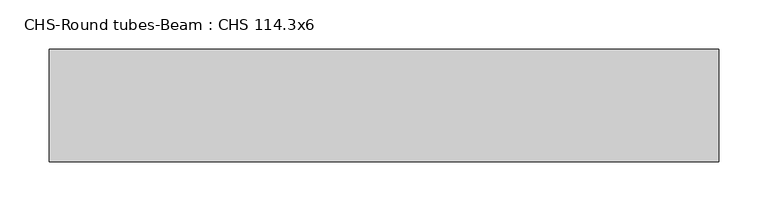
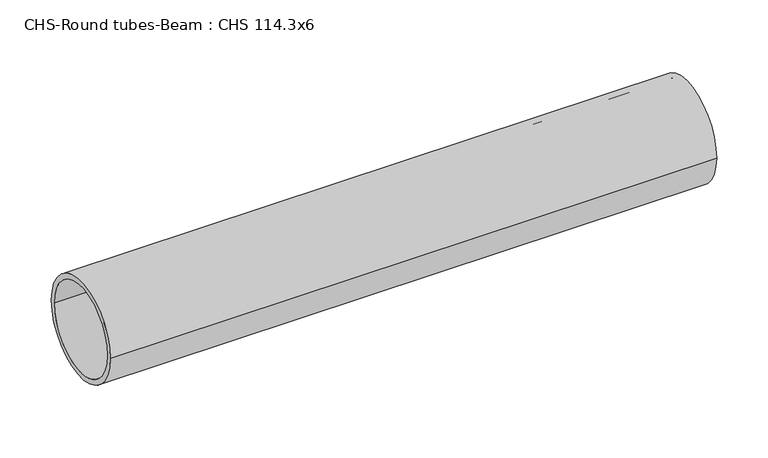
"""IFC4 building model written with IfcOpenShell, lengths in millimetres: beam geometry, CHS-Round tubes-Beam : CHS 114.3x6."""

from ifc_helpers import new_model, si_unit, point, frame, origin, origin_2d, place, context, project, spatial, circle_curve, trimmed, segment, composite_curve, outline, extrude, source, transform, mapped, element, save


def chs_round_tubes_beam_chs_114_3x6_6815b667(model_context):
    return source(origin(), model_context, "Body", "SweptSolid", [
        extrude(outline(composite_curve([segment(trimmed(circle_curve(origin_2d(), 57.15), [point((57.15, 0.0))], [point((-57.15, 0.0))], False, "CARTESIAN"), True, "CONTINUOUS"), segment(trimmed(circle_curve(origin_2d(), 57.15), [point((-57.15, 0.0))], [point((57.15, 0.0))], False, "CARTESIAN"), True, "CONTINUOUS")], self_intersect=False), holes=[composite_curve([segment(trimmed(circle_curve(origin_2d(), 51.15), [point((51.15, 0.0))], [point((-51.15, 0.0))], True, "CARTESIAN"), True, "CONTINUOUS"), segment(trimmed(circle_curve(origin_2d(), 51.15), [point((-51.15, 0.0))], [point((51.15, 0.0))], True, "CARTESIAN"), True, "CONTINUOUS")], self_intersect=False)]), frame((-299.7321053, 0.0, 0.0), z_axis=(1.0, 0.0, 0.0), x_axis=(0.0, 1.0, 0.0)), (0.0, 0.0, 1.0), 680.2814045),
    ])


if __name__ == "__main__":
    model = new_model("IFC4")
    model_context = context("Model", 3, world=origin())
    ifc_project = project(units=[si_unit("LENGTHUNIT", "METRE", prefix="MILLI")], contexts=[model_context])
    site = spatial("IfcSite", under=ifc_project)
    building = spatial("IfcBuilding", under=site)
    placement = place(None, origin())
    chs_round_tubes_beam_chs_114_3x6_shape = chs_round_tubes_beam_chs_114_3x6_6815b667(model_context)
    element("IfcBeam", 1, ObjectType="CHS-Round tubes-Beam : CHS 114.3x6", at=placement, inside=building, context=model_context, shape_type="MappedRepresentation", body=[
        mapped(chs_round_tubes_beam_chs_114_3x6_shape, transform((0.0, 0.0, 0.0), x_axis=(1.0, 0.0, 0.0), y_axis=(0.0, 1.0, 0.0), z_axis=(0.0, 0.0, 1.0))),
    ])
    save(model, "model.ifc")
